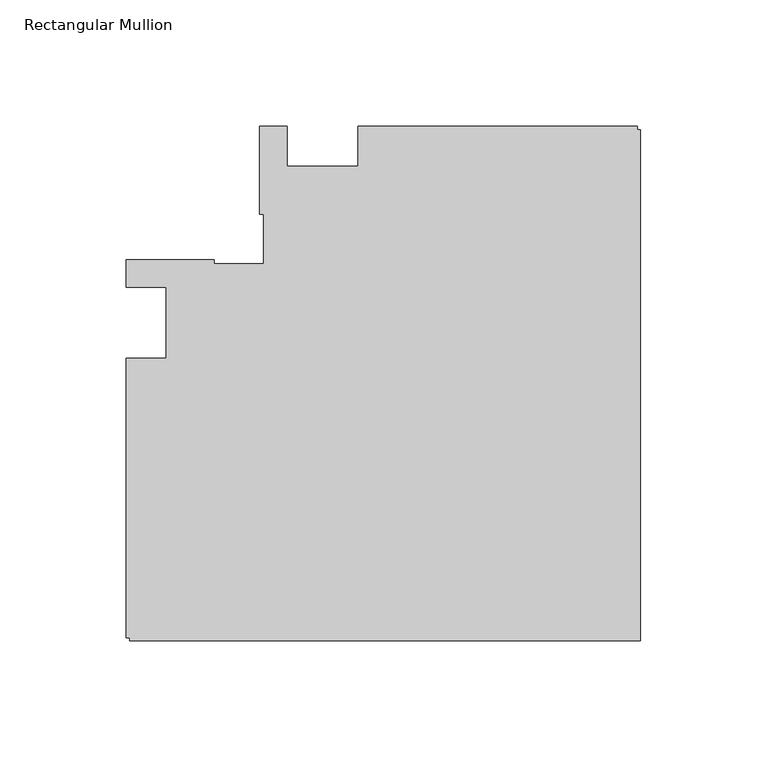
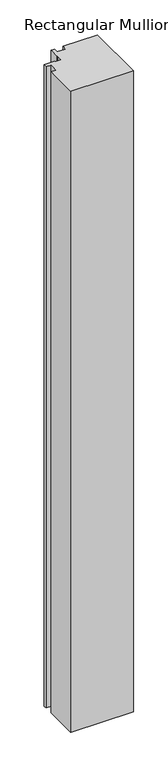
"""IFC4 building model written with IfcOpenShell, lengths in millimetres: member geometry, Rectangular Mullion."""

from ifc_helpers import new_model, si_unit, frame, origin, place, context, project, spatial, polyline, outline, extrude, source, transform, mapped, element, save


def rectangular_mullion_4cdabb18(model_context):
    return source(origin(), model_context, "Body", "SweptSolid", [
        extrude(outline(polyline([(-112.2039366, 78.0481273), (-1.2039366, 78.0481273), (-1.2039366, 76.548142), (0.0, 76.548142), (0.0, -126.155816), (-202.703958, -126.155816), (-202.703958, -124.9518583), (-204.2039408, -124.9518583), (-204.2039408, -13.95177), (-188.2039146, -13.95177), (-188.2039146, 14.0481206), (-204.2039408, 14.0481206), (-204.2039408, 25.0481206), (-169.2039146, 25.0481206), (-169.2039146, 23.3589699), (-149.5136517, 23.3589699), (-149.5136517, 43.0481011), (-151.2040012, 43.0481011), (-151.2040012, 78.0480986), (-140.2039366, 78.0480986), (-140.2039366, 62.0480986), (-112.2039366, 62.0480986), (-112.2039366, 78.0481273)])), frame((0.0, 0.0, -2216.0199255), z_axis=(0.0, 0.0, 1.0), x_axis=(1.0, 0.0, 0.0)), (0.0, 0.0, 1.0), 2216.0199255),
    ])


if __name__ == "__main__":
    model = new_model("IFC4")
    model_context = context("Model", 3, world=origin())
    ifc_project = project(units=[si_unit("LENGTHUNIT", "METRE", prefix="MILLI")], contexts=[model_context])
    site = spatial("IfcSite", under=ifc_project)
    building = spatial("IfcBuilding", under=site)
    placement = place(None, origin())
    rectangular_mullion_shape = rectangular_mullion_4cdabb18(model_context)
    element("IfcMember", 1, ObjectType="Rectangular Mullion", at=placement, inside=building, context=model_context, shape_type="MappedRepresentation", body=[
        mapped(rectangular_mullion_shape, transform((0.0, 0.0, 0.0), x_axis=(1.0, 0.0, 0.0), y_axis=(0.0, 1.0, 0.0), z_axis=(0.0, 0.0, 1.0))),
    ])
    save(model, "model.ifc")
